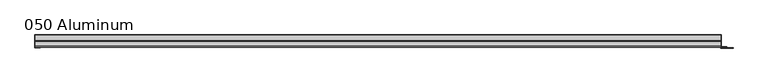
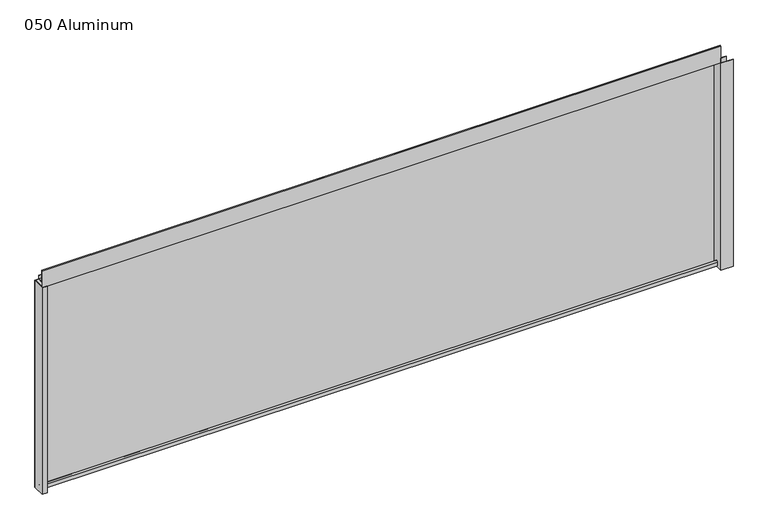
"""IFC4 building model written with IfcOpenShell, lengths in millimetres: plate geometry, 050 Aluminum."""

from ifc_helpers import new_model, si_unit, point, frame, frame_2d, origin, origin_with_axes, place, context, project, spatial, polyline, circle_curve, trimmed, segment, composite_curve, outline, extrude, source, transform, mapped, element, save


def plate_050_aluminum_74533da8(model_context):
    return source(origin(), model_context, "Body", "SweptSolid", [
        extrude(outline(polyline([(-950.43625, 2.5660257), (-937.5457494, 2.5660257), (-937.5457494, 1.2699999), (-951.7062499, 1.2699999), (-951.7062499, 34.7980001), (-950.43625, 34.7980001), (-950.43625, 2.5660257)])), origin_with_axes(), (0.0, 0.0, 1.0), 608.33),
        extrude(outline(composite_curve([segment(trimmed(circle_curve(frame_2d((19.8514743, 13.124237)), 3.175), [point((16.6765477, 13.1458337))], [point((23.0264743, 13.124237))], False, "CARTESIAN"), True, "CONTINUOUS"), segment(polyline([(23.0264743, 13.124237), (23.0264743, 1.2693678), (34.7980002, 1.2693678), (34.7980002, 0.0), (21.7564743, 0.0), (21.7564743, 13.124237)]), True, "CONTINUOUS"), segment(trimmed(circle_curve(frame_2d((19.8514743, 13.124237)), 1.905), [point((21.7564743, 13.124237))], [point((17.9464915, 13.1323356))], True, "CARTESIAN"), True, "CONTINUOUS"), segment(polyline([(17.9464915, 13.1323356), (17.9464915, 2.786437), (16.6765477, 2.786437), (16.6765477, 13.1458337)]), True, "CONTINUOUS")], self_intersect=False)), frame((-950.43625, 0.0, 0.0), z_axis=(1.0, 0.0, 0.0), x_axis=(0.0, 1.0, 0.0)), (0.0, 0.0, 1.0), 1888.1725),
        extrude(outline(composite_curve([segment(trimmed(circle_curve(frame_2d((3.7084742, 656.7932001)), 1.6509999), [point((2.0574743, 656.7932001))], [point((5.3594742, 656.7932001))], False, "CARTESIAN"), True, "CONTINUOUS"), segment(polyline([(5.3594742, 656.7932001), (5.3594742, 623.57), (19.2164743, 623.57), (19.2164743, 633.6538), (20.4864742, 633.6538), (20.4864742, 622.3), (4.0894742, 622.3), (4.0894742, 656.7932001)]), True, "CONTINUOUS"), segment(trimmed(circle_curve(frame_2d((3.7084742, 656.7932001)), 0.3809999), [point((4.0894742, 656.7932001))], [point((3.3274743, 656.7932001))], True, "CARTESIAN"), True, "CONTINUOUS"), segment(polyline([(3.3274743, 656.7932001), (3.3274743, 609.6000001), (34.7980002, 609.6000001), (34.7980002, 608.33), (2.0574743, 608.33), (2.0574743, 656.7932001)]), True, "CONTINUOUS")], self_intersect=False)), frame((-950.43625, 0.0, 0.0), z_axis=(1.0, 0.0, 0.0), x_axis=(0.0, 1.0, 0.0)), (0.0, 0.0, 1.0), 1888.1725),
        extrude(outline(polyline([(-951.70625, 36.068), (939.00625, 36.068), (939.00625, 34.7980001), (-951.70625, 34.7980001), (-951.70625, 36.068)])), origin_with_axes(), (0.0, 0.0, 1.0), 609.6),
        extrude(outline(polyline([(939.00625, 1.2699999), (971.5183356, 1.2699999), (971.5183356, 0.0), (937.7362501, 0.0), (937.7362501, 34.7980002), (939.00625, 34.7980002), (939.00625, 1.2699999)])), origin_with_axes(), (0.0, 0.0, 1.0), 608.33),
        extrude(outline(polyline([(937.73625, 3.3274743), (953.4842499, 3.3274743), (953.4842499, 2.0574743), (937.73625, 2.0574743), (937.73625, 3.3274743)])), origin_with_axes(), (0.0, 0.0, 1.0), 622.3),
    ])


if __name__ == "__main__":
    model = new_model("IFC4")
    model_context = context("Model", 3, world=origin())
    ifc_project = project(units=[si_unit("LENGTHUNIT", "METRE", prefix="MILLI")], contexts=[model_context])
    site = spatial("IfcSite", under=ifc_project)
    building = spatial("IfcBuilding", under=site)
    placement = place(None, origin())
    plate_050_aluminum_shape = plate_050_aluminum_74533da8(model_context)
    element("IfcPlate", 1, ObjectType="050 Aluminum", at=placement, inside=building, context=model_context, shape_type="MappedRepresentation", body=[
        mapped(plate_050_aluminum_shape, transform((0.0, 0.0, 0.0), x_axis=(1.0, 0.0, 0.0), y_axis=(0.0, 1.0, 0.0), z_axis=(0.0, 0.0, 1.0))),
    ])
    save(model, "model.ifc")
